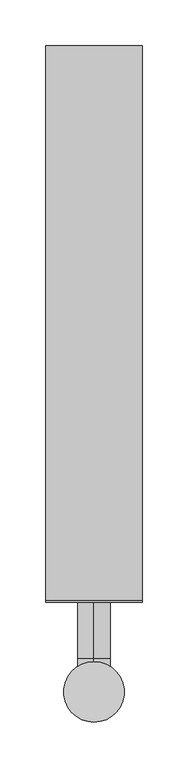
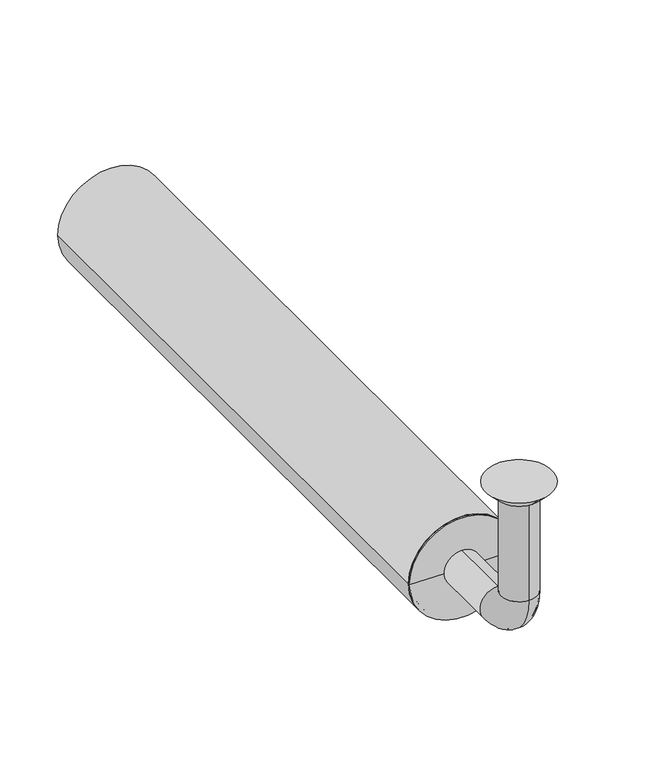
"""IFC4 building model written with IfcOpenShell, lengths in millimetres: beam geometry."""

from ifc_helpers import new_model, si_unit, point, frame, frame_2d, origin, place, context, project, spatial, polyline, circle_curve, ellipse_curve, trimmed, segment, composite_curve, outline, extrude, source, transform, mapped, element, save
from ifc_brep_helpers import plane_surface, cylinder_surface, revolved_surface, advanced_brep


def beam_cddb3f72(model_context):
    return source(origin(), model_context, "Body", "SolidModel", [
        extrude(outline(composite_curve([segment(trimmed(circle_curve(frame_2d((-150.0, 0.0)), 52.5), [point((-150.0, 52.5))], [point((-150.0, -52.5))], False, "CARTESIAN"), True, "CONTINUOUS"), segment(trimmed(circle_curve(frame_2d((-150.0, 0.0)), 52.5), [point((-150.0, -52.5))], [point((-150.0, 52.5))], False, "CARTESIAN"), True, "CONTINUOUS")], self_intersect=False), holes=[composite_curve([segment(trimmed(circle_curve(frame_2d((-150.0, 0.0)), 49.5), [point((-150.0, 49.5))], [point((-150.0, -49.5))], True, "CARTESIAN"), True, "CONTINUOUS"), segment(trimmed(circle_curve(frame_2d((-150.0, 0.0)), 49.5), [point((-150.0, -49.5))], [point((-150.0, 49.5))], True, "CARTESIAN"), True, "CONTINUOUS")], self_intersect=False)]), frame((0.0, 100.0, 0.0), z_axis=(0.0, 1.0, 0.0), x_axis=(0.0, 0.0, 1.0)), (0.0, 0.0, 1.0), 605.0),
        advanced_brep(
        [(0.0, -18.0, -10.0), (0.0, 18.0, -10.0), (0.0, -17.0, -10.0), (0.0, 17.0, -10.0), (0.0, -18.0, -114.0), (0.0, 18.0, -114.0), (0.0, -17.0, -114.0), (0.0, 17.0, -114.0), (0.0, 36.0, -132.0), (0.0, 36.0, -168.0), (0.0, 36.0, -133.0), (0.0, 36.0, -167.0), (0.0, 123.0, -168.0), (0.0, 123.0, -132.0), (0.0, 123.0, -167.0), (0.0, 123.0, -133.0)],
        [
            (0, 1, circle_curve(frame((0.0, 0.0, -10.0), z_axis=(0.0, 0.0, 1.0), x_axis=(0.0, 1.0, 0.0)), 18.0)),
            (1, 0, circle_curve(frame((0.0, 0.0, -10.0), z_axis=(0.0, 0.0, 1.0), x_axis=(0.0, 1.0, 0.0)), 18.0)),
            (2, 3, circle_curve(frame((0.0, 0.0, -10.0), z_axis=(0.0, 0.0, -1.0), x_axis=(0.0, 1.0, 0.0)), 17.0)),
            (3, 2, circle_curve(frame((0.0, 0.0, -10.0), z_axis=(0.0, 0.0, -1.0), x_axis=(0.0, 1.0, 0.0)), 17.0)),
            (0, 4),
            (4, 5, circle_curve(frame((0.0, 0.0, -114.0), z_axis=(0.0, 0.0, 1.0), x_axis=(0.0, 1.0, 0.0)), 18.0)),
            (5, 1),
            (5, 4, circle_curve(frame((0.0, 0.0, -114.0), z_axis=(0.0, 0.0, 1.0), x_axis=(0.0, 1.0, 0.0)), 18.0)),
            (2, 6),
            (6, 7, circle_curve(frame((0.0, 0.0, -114.0), z_axis=(0.0, 0.0, -1.0), x_axis=(0.0, 1.0, 0.0)), 17.0)),
            (7, 3),
            (7, 6, circle_curve(frame((0.0, 0.0, -114.0), z_axis=(0.0, 0.0, -1.0), x_axis=(0.0, 1.0, 0.0)), 17.0)),
            (8, 5, circle_curve(frame((0.0, 36.0, -114.0), z_axis=(-1.0, 0.0, 0.0), x_axis=(0.0, -1.0, 0.0)), 18.0)),
            (4, 9, circle_curve(frame((0.0, 36.0, -114.0), z_axis=(1.0, 0.0, 0.0), x_axis=(0.0, -1.0, 0.0)), 54.0)),
            (9, 8, circle_curve(frame((0.0, 36.0, -150.0), z_axis=(0.0, -1.0, 0.0), x_axis=(0.0, 0.0, 1.0)), 18.0)),
            (8, 9, circle_curve(frame((0.0, 36.0, -150.0), z_axis=(0.0, -1.0, 0.0), x_axis=(0.0, 0.0, 1.0)), 18.0)),
            (10, 7, circle_curve(frame((0.0, 36.0, -114.0), z_axis=(-1.0, 0.0, 0.0), x_axis=(0.0, -1.0, 0.0)), 19.0)),
            (6, 11, circle_curve(frame((0.0, 36.0, -114.0), z_axis=(1.0, 0.0, 0.0), x_axis=(0.0, -1.0, 0.0)), 53.0)),
            (11, 10, circle_curve(frame((0.0, 36.0, -150.0), z_axis=(0.0, 1.0, 0.0), x_axis=(0.0, 0.0, 1.0)), 17.0)),
            (10, 11, circle_curve(frame((0.0, 36.0, -150.0), z_axis=(0.0, 1.0, 0.0), x_axis=(0.0, 0.0, 1.0)), 17.0)),
            (12, 13, circle_curve(frame((0.0, 123.0, -150.0), z_axis=(0.0, 1.0, 0.0), x_axis=(0.0, 0.0, 1.0)), 18.0)),
            (13, 12, circle_curve(frame((0.0, 123.0, -150.0), z_axis=(0.0, 1.0, 0.0), x_axis=(0.0, 0.0, 1.0)), 18.0)),
            (14, 15, circle_curve(frame((0.0, 123.0, -150.0), z_axis=(0.0, -1.0, 0.0), x_axis=(0.0, 0.0, 1.0)), 17.0)),
            (15, 14, circle_curve(frame((0.0, 123.0, -150.0), z_axis=(0.0, -1.0, 0.0), x_axis=(0.0, 0.0, 1.0)), 17.0)),
            (9, 12),
            (13, 8),
            (11, 14),
            (15, 10),
        ],
        [
            plane_surface(frame((0.0, 0.0, -10.0), z_axis=(0.0, 0.0, 1.0), x_axis=(1.0, 0.0, 0.0))),
            cylinder_surface(frame((0.0, 0.0, -10.0), z_axis=(0.0, 0.0, 1.0), x_axis=(0.0, 1.0, 0.0)), 18.0),
            revolved_surface(polyline([(0.0, 17.0, -114.0), (0.0, 17.0, -10.0)]), (0.0, 0.0, -10.0), (0.0, 0.0, -1.0)),
            revolved_surface(trimmed(ellipse_curve(frame((0.0, 0.0, -114.0), z_axis=(0.0, 0.0, 1.0), x_axis=(0.0, 1.0, 0.0)), 18.0, 18.0), [point((0.0, -18.0, -114.0))], [point((0.0, 18.0, -114.0))], True, "CARTESIAN"), (0.0, 36.0, -114.0), (1.0, 0.0, 0.0)),
            revolved_surface(trimmed(ellipse_curve(frame((0.0, 0.0, -114.0), z_axis=(0.0, 0.0, 1.0), x_axis=(0.0, 1.0, 0.0)), 18.0, 18.0), [point((0.0, 18.0, -114.0))], [point((0.0, -18.0, -114.0))], True, "CARTESIAN"), (0.0, 36.0, -114.0), (1.0, 0.0, 0.0)),
            revolved_surface(trimmed(ellipse_curve(frame((0.0, 0.0, -114.0), z_axis=(0.0, 0.0, -1.0), x_axis=(0.0, 1.0, 0.0)), 17.0, 17.0), [point((0.0, -17.0, -114.0))], [point((0.0, 17.0, -114.0))], True, "CARTESIAN"), (0.0, 36.0, -114.0), (1.0, 0.0, 0.0)),
            revolved_surface(trimmed(ellipse_curve(frame((0.0, 0.0, -114.0), z_axis=(0.0, 0.0, -1.0), x_axis=(0.0, 1.0, 0.0)), 17.0, 17.0), [point((0.0, 17.0, -114.0))], [point((0.0, -17.0, -114.0))], True, "CARTESIAN"), (0.0, 36.0, -114.0), (1.0, 0.0, 0.0)),
            plane_surface(frame((0.0, 123.0, -150.0), z_axis=(0.0, 1.0, 0.0), x_axis=(1.0, 0.0, 0.0))),
            cylinder_surface(frame((0.0, 36.0, -150.0), z_axis=(0.0, -1.0, 0.0), x_axis=(0.0, 0.0, 1.0)), 18.0),
            revolved_surface(polyline([(0.0, 123.0, -133.0), (0.0, 36.0, -133.0)]), (0.0, 36.0, -150.0), (0.0, 1.0, 0.0)),
        ],
        [
            (0, [[1, 2], [3, 4]]),
            (1, [[-1, 5, 6, 7]]),
            (1, [[-2, -7, 8, -5]]),
            (2, [[-3, 9, 10, 11]]),
            (2, [[-4, -11, 12, -9]]),
            (3, [[13, -6, 14, 15]]),
            (4, [[-14, -8, -13, 16]]),
            (5, [[17, -10, 18, 19]]),
            (6, [[-18, -12, -17, 20]]),
            (7, [[21, 22], [23, 24]]),
            (8, [[-15, 25, -22, 26]]),
            (8, [[-16, -26, -21, -25]]),
            (9, [[-19, 27, -24, 28]]),
            (9, [[-20, -28, -23, -27]]),
        ],
    ),
        advanced_brep(
        [(0.0, 23.0, -10.0), (0.0, -23.0, -10.0), (0.0, 33.0, 0.0), (0.0, -33.0, 0.0)],
        [
            (0, 1, circle_curve(frame((0.0, 0.0, -10.0), z_axis=(0.0, 0.0, -1.0), x_axis=(0.0, 1.0, 0.0)), 23.0)),
            (1, 0, circle_curve(frame((0.0, 0.0, -10.0), z_axis=(0.0, 0.0, -1.0), x_axis=(0.0, -1.0, 0.0)), 23.0)),
            (2, 3, circle_curve(frame((0.0, 0.0, 0.0), z_axis=(0.0, 0.0, 1.0), x_axis=(0.0, -1.0, 0.0)), 33.0)),
            (3, 2, circle_curve(frame((0.0, 0.0, 0.0), z_axis=(0.0, 0.0, 1.0), x_axis=(0.0, 1.0, 0.0)), 33.0)),
            (3, 1),
            (0, 2),
        ],
        [
            plane_surface(frame((0.0, 0.0, -10.0), z_axis=(0.0, 0.0, -1.0), x_axis=(-1.0, 0.0, 0.0))),
            plane_surface(frame((0.0, 0.0, 0.0), z_axis=(0.0, 0.0, 1.0), x_axis=(-1.0, 0.0, 0.0))),
            revolved_surface(polyline([(0.0, 23.0, -10.0), (0.0, 33.0, 0.0)]), (0.0, 0.0, -33.0), (0.0, 0.0, 1.0)),
            revolved_surface(polyline([(0.0, -23.0, -10.0), (0.0, -33.0, 0.0)]), (0.0, 0.0, -33.0), (0.0, 0.0, 1.0)),
        ],
        [
            (0, [[1, 2]]),
            (1, [[3, 4]]),
            (2, [[-4, 5, -1, 6]]),
            (3, [[-3, -6, -2, -5]]),
        ],
    ),
        advanced_brep(
        [(49.5, 100.0, -150.0), (-49.5, 100.0, -150.0), (-49.5, 123.0, -150.0), (49.5, 123.0, -150.0), (-18.0, 123.0, -150.0), (18.0, 123.0, -150.0), (-18.0, 98.0, -150.0), (18.0, 98.0, -150.0), (-52.5, 98.0, -150.0), (52.5, 98.0, -150.0), (-52.5, 100.0, -150.0), (52.5, 100.0, -150.0)],
        [
            (0, 1, circle_curve(frame((0.0, 100.0, -150.0), z_axis=(0.0, 1.0, 0.0), x_axis=(-1.0, 0.0, 0.0)), 49.5)),
            (1, 2),
            (2, 3, circle_curve(frame((0.0, 123.0, -150.0), z_axis=(0.0, -1.0, 0.0), x_axis=(-1.0, 0.0, 0.0)), 49.5)),
            (3, 0),
            (1, 0, circle_curve(frame((0.0, 100.0, -150.0), z_axis=(0.0, 1.0, 0.0), x_axis=(-1.0, 0.0, 0.0)), 49.5)),
            (3, 2, circle_curve(frame((0.0, 123.0, -150.0), z_axis=(0.0, -1.0, 0.0), x_axis=(-1.0, 0.0, 0.0)), 49.5)),
            (2, 4),
            (4, 5, circle_curve(frame((0.0, 123.0, -150.0), z_axis=(0.0, -1.0, 0.0), x_axis=(-1.0, 0.0, 0.0)), 18.0)),
            (5, 3),
            (5, 4, circle_curve(frame((0.0, 123.0, -150.0), z_axis=(0.0, -1.0, 0.0), x_axis=(-1.0, 0.0, 0.0)), 18.0)),
            (4, 6),
            (6, 7, circle_curve(frame((0.0, 98.0, -150.0), z_axis=(0.0, -1.0, 0.0), x_axis=(-1.0, 0.0, 0.0)), 18.0)),
            (7, 5),
            (7, 6, circle_curve(frame((0.0, 98.0, -150.0), z_axis=(0.0, -1.0, 0.0), x_axis=(-1.0, 0.0, 0.0)), 18.0)),
            (6, 8),
            (8, 9, circle_curve(frame((0.0, 98.0, -150.0), z_axis=(0.0, -1.0, 0.0), x_axis=(-1.0, 0.0, 0.0)), 52.5)),
            (9, 7),
            (9, 8, circle_curve(frame((0.0, 98.0, -150.0), z_axis=(0.0, -1.0, 0.0), x_axis=(-1.0, 0.0, 0.0)), 52.5)),
            (8, 10),
            (10, 11, circle_curve(frame((0.0, 100.0, -150.0), z_axis=(0.0, -1.0, 0.0), x_axis=(-1.0, 0.0, 0.0)), 52.5)),
            (11, 9),
            (11, 10, circle_curve(frame((0.0, 100.0, -150.0), z_axis=(0.0, -1.0, 0.0), x_axis=(-1.0, 0.0, 0.0)), 52.5)),
            (10, 1),
            (0, 11),
        ],
        [
            cylinder_surface(frame((0.0, 98.0, -150.0), z_axis=(0.0, -1.0, 0.0), x_axis=(-1.0, 0.0, 0.0)), 49.5),
            plane_surface(frame((0.0, 123.0, -150.0), z_axis=(0.0, 1.0, 0.0), x_axis=(-1.0, 0.0, 0.0))),
            revolved_surface(polyline([(-18.0, 98.0, -150.0), (-18.0, 123.0, -150.0)]), (0.0, 98.0, -150.0), (0.0, -1.0, 0.0)),
            plane_surface(frame((0.0, 98.0, -150.0), z_axis=(0.0, -1.0, 0.0), x_axis=(-1.0, 0.0, 0.0))),
            cylinder_surface(frame((0.0, 98.0, -150.0), z_axis=(0.0, -1.0, 0.0), x_axis=(-1.0, 0.0, 0.0)), 52.5),
            plane_surface(frame((0.0, 100.0, -150.0), z_axis=(0.0, 1.0, 0.0), x_axis=(-1.0, 0.0, 0.0))),
        ],
        [
            (0, [[1, 2, 3, 4]]),
            (0, [[5, -4, 6, -2]]),
            (1, [[-3, 7, 8, 9]]),
            (1, [[-6, -9, 10, -7]]),
            (2, [[-8, 11, 12, 13]]),
            (2, [[-10, -13, 14, -11]]),
            (3, [[-12, 15, 16, 17]]),
            (3, [[-14, -17, 18, -15]]),
            (4, [[-16, 19, 20, 21]]),
            (4, [[-18, -21, 22, -19]]),
            (5, [[-20, 23, -1, 24]]),
            (5, [[-22, -24, -5, -23]]),
        ],
    ),
    ])


if __name__ == "__main__":
    model = new_model("IFC4")
    model_context = context("Model", 3, world=origin())
    ifc_project = project(units=[si_unit("LENGTHUNIT", "METRE", prefix="MILLI")], contexts=[model_context])
    site = spatial("IfcSite", under=ifc_project)
    building = spatial("IfcBuilding", under=site)
    placement = place(None, origin())
    beam_shape = beam_cddb3f72(model_context)
    element("IfcBeam", 1, at=placement, inside=building, context=model_context, shape_type="MappedRepresentation", body=[
        mapped(beam_shape, transform((0.0, 0.0, 0.0), x_axis=(1.0, 0.0, 0.0), y_axis=(0.0, 1.0, 0.0), z_axis=(0.0, 0.0, 1.0))),
    ])
    save(model, "model.ifc")
